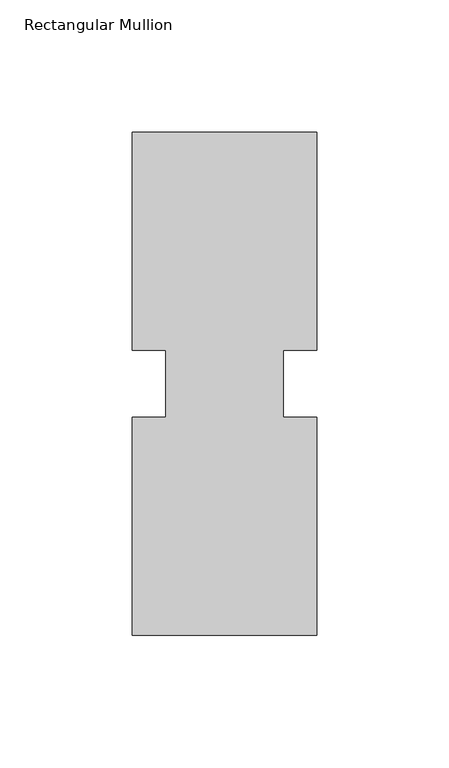
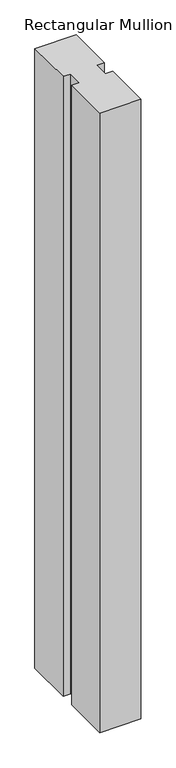
"""IFC4 building model written with IfcOpenShell, lengths in millimetres: member geometry, Rectangular Mullion."""

from ifc_helpers import new_model, si_unit, frame, origin, place, context, project, spatial, polyline, outline, extrude, source, transform, mapped, element, save


def rectangular_mullion_bb88f073(model_context):
    return source(origin(), model_context, "Body", "SweptSolid", [
        extrude(outline(polyline([(39.2594027, 95.25), (39.2594027, 12.7), (26.5576322, 12.7), (26.5576322, -12.7), (39.2594027, -12.7), (39.2594027, -95.25), (-30.5905973, -95.25), (-30.5905973, -12.7), (-17.8905973, -12.7), (-17.8905973, 12.7), (-30.5905973, 12.7), (-30.5905973, 95.25), (39.2594027, 95.25)])), frame((0.0, 0.0, -1111.25), z_axis=(0.0, 0.0, 1.0), x_axis=(1.0, 0.0, 0.0)), (0.0, 0.0, 1.0), 1111.25),
    ])


if __name__ == "__main__":
    model = new_model("IFC4")
    model_context = context("Model", 3, world=origin())
    ifc_project = project(units=[si_unit("LENGTHUNIT", "METRE", prefix="MILLI")], contexts=[model_context])
    site = spatial("IfcSite", under=ifc_project)
    building = spatial("IfcBuilding", under=site)
    placement = place(None, origin())
    rectangular_mullion_shape = rectangular_mullion_bb88f073(model_context)
    element("IfcMember", 1, ObjectType="Rectangular Mullion", at=placement, inside=building, context=model_context, shape_type="MappedRepresentation", body=[
        mapped(rectangular_mullion_shape, transform((0.0, 0.0, 0.0), x_axis=(1.0, 0.0, 0.0), y_axis=(0.0, 1.0, 0.0), z_axis=(0.0, 0.0, 1.0))),
    ])
    save(model, "model.ifc")
